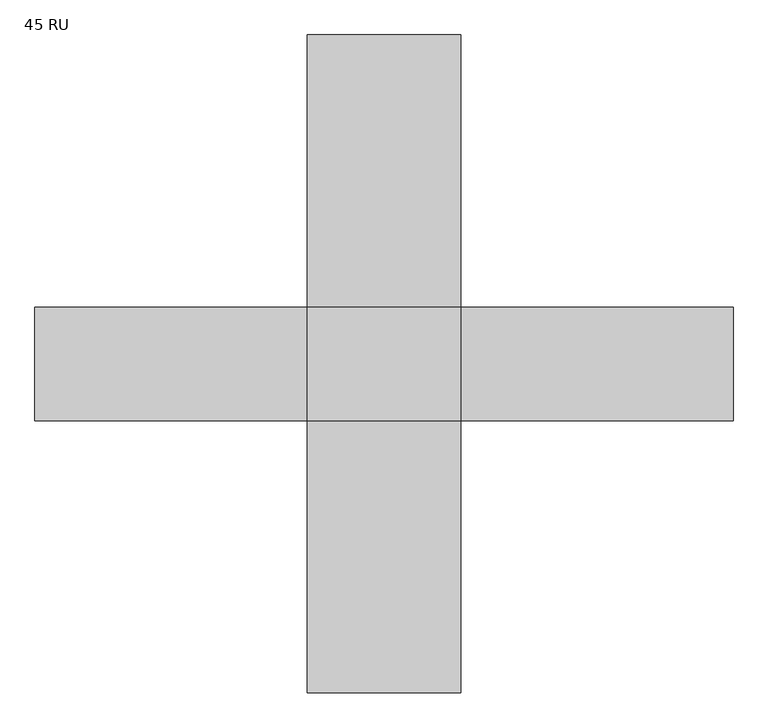
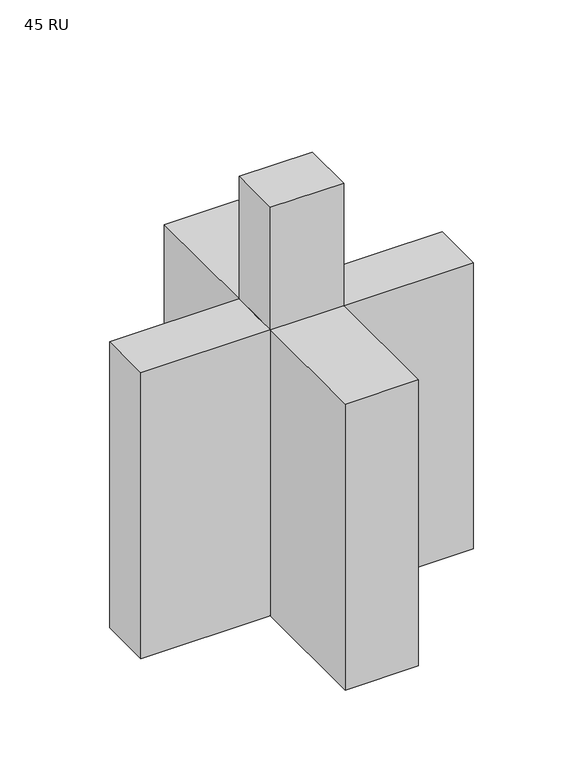
"""IFC4 building model written with IfcOpenShell, lengths in millimetres: electric appliance geometry, 45 RU."""

import ifcopenshell
import ifcopenshell.guid

model = None  # the IFC model being written
_history = None  # IfcOwnerHistory: only IFC2X3 demands one
_inside = {}  # id of a spatial element -> (the spatial element, [elements in it])
_under = {}  # id of a project, library or spatial element -> (it, [spatial elements below it])
_declared = {}  # id of a project -> (the project, [libraries it declares])
_typed = {}  # id of a type object -> (the type object, [elements of that type])
_made_of = {}  # id of a material, layer set ... -> (it, [elements and type objects made of it])


def new_model(schema):
    """Start an empty IFC model of exactly this schema.

    Asked for "IFC4X3", IfcOpenShell would pick the latest addendum, in which some entities
    have other attributes; the version numbers below select the first issue.
    IFC2X3 requires an IfcOwnerHistory on every rooted entity: one is made here for all.
    """
    global model, _history
    if schema == "IFC4X3":
        model = ifcopenshell.file(schema_version=(4, 3, 0, 0))
    else:
        model = ifcopenshell.file(schema=schema)
    _inside.clear()
    _under.clear()
    _declared.clear()
    _typed.clear()
    _made_of.clear()
    _history = None
    if model.schema == "IFC2X3":
        org = make("IfcOrganization", Name="unknown")
        user = make(
            "IfcPersonAndOrganization",
            ThePerson=make("IfcPerson", FamilyName="unknown"),
            TheOrganization=org,
        )
        app = make(
            "IfcApplication",
            ApplicationDeveloper=org,
            Version="unknown",
            ApplicationFullName="unknown",
            ApplicationIdentifier="unknown",
        )
        _history = make(
            "IfcOwnerHistory",
            OwningUser=user,
            OwningApplication=app,
            ChangeAction="ADDED",
            CreationDate=0,
        )
    return model


def make(cls, **values):
    """One entity of the class cls with the attributes given. An attribute that is None is left unset."""
    return model.create_entity(
        cls, **{name: value for name, value in values.items() if value is not None}
    )


def rooted(cls, **values):
    """An entity with a GlobalId (a new one), such as an element, a storey or a relation."""
    return make(cls, GlobalId=ifcopenshell.guid.new(), OwnerHistory=_history, **values)


def si_unit(unit_type, name, prefix=None):
    """IfcSIUnit, for example si_unit("LENGTHUNIT", "METRE", prefix="MILLI")."""
    return make("IfcSIUnit", UnitType=unit_type, Prefix=prefix, Name=name)


def assignment(units):
    """IfcUnitAssignment: the units of a project."""
    return None if units is None else make("IfcUnitAssignment", Units=units)


def point(xyz):
    """IfcCartesianPoint."""
    return None if xyz is None else make("IfcCartesianPoint", Coordinates=xyz)


def direction(xyz):
    """IfcDirection."""
    return None if xyz is None else make("IfcDirection", DirectionRatios=xyz)


def frame(location, z_axis=None, x_axis=None):
    """IfcAxis2Placement3D, a coordinate frame: its origin and axes. An axis left out is left unset."""
    return make(
        "IfcAxis2Placement3D",
        Location=point(location),
        Axis=direction(z_axis),
        RefDirection=direction(x_axis),
    )


def origin():
    """The frame at (0, 0, 0) with its axes left unset."""
    return frame((0.0, 0.0, 0.0))


def origin_with_axes():
    """The frame at (0, 0, 0) with the z axis (0, 0, 1) and the x axis (1, 0, 0) written out."""
    return frame((0.0, 0.0, 0.0), z_axis=(0.0, 0.0, 1.0), x_axis=(1.0, 0.0, 0.0))


def place(relative_to, where):
    """IfcLocalPlacement: puts the frame where relative to a parent placement (None: the world)."""
    return make(
        "IfcLocalPlacement", PlacementRelTo=relative_to, RelativePlacement=where
    )


def context(
    kind, dimensions, precision=None, world=None, true_north=None, identifier=None
):
    """IfcGeometricRepresentationContext, for example the 3D "Model" context."""
    return make(
        "IfcGeometricRepresentationContext",
        ContextIdentifier=identifier,
        ContextType=kind,
        CoordinateSpaceDimension=dimensions,
        Precision=precision,
        WorldCoordinateSystem=world,
        TrueNorth=true_north,
    )


def project(units=None, contexts=None):
    """IfcProject with its units and contexts."""
    return rooted(
        "IfcProject",
        Name="project",
        RepresentationContexts=contexts,
        UnitsInContext=assignment(units),
    )


def spatial(cls, under=None, at=None, **own):
    """A site, building, storey or space (cls), placed at a placement, below another one or the project."""
    s = rooted(cls, ObjectPlacement=at, **own)
    if under is not None:
        _under.setdefault(under.id(), (under, []))[1].append(s)
    return s


def polyline(points):
    """IfcPolyline through the points."""
    return make("IfcPolyline", Points=[point(p) for p in points])


def outline(outer, holes=None, kind="AREA"):
    """IfcArbitraryClosedProfileDef: a profile drawn as a closed curve; with holes, ...WithVoids."""
    if holes is None:
        return make("IfcArbitraryClosedProfileDef", ProfileType=kind, OuterCurve=outer)
    return make(
        "IfcArbitraryProfileDefWithVoids",
        ProfileType=kind,
        OuterCurve=outer,
        InnerCurves=holes,
    )


def extrude(swept, where, along, depth):
    """IfcExtrudedAreaSolid: the profile swept, set in the frame where, extruded along a direction by depth."""
    return make(
        "IfcExtrudedAreaSolid",
        SweptArea=swept,
        Position=where,
        ExtrudedDirection=direction(along),
        Depth=depth,
    )


def shape(context_of_items, identifier, shape_type, items):
    """IfcShapeRepresentation: the items that make up one representation, for example the "Body"."""
    return make(
        "IfcShapeRepresentation",
        ContextOfItems=context_of_items,
        RepresentationIdentifier=identifier,
        RepresentationType=shape_type,
        Items=items,
    )


def source(mapping_origin, context_of_items, identifier, shape_type, items):
    """IfcRepresentationMap: a shape defined once, which mapped items show again and again."""
    return make(
        "IfcRepresentationMap",
        MappingOrigin=mapping_origin,
        MappedRepresentation=shape(context_of_items, identifier, shape_type, items),
    )


def transform(
    local_origin,
    x_axis=None,
    y_axis=None,
    z_axis=None,
    scale=None,
    scale2=None,
    scale3=None,
    uniform=True,
):
    """IfcCartesianTransformationOperator3D, or its non-uniform kind. x_axis, y_axis, z_axis: its Axis1, 2, 3."""
    if uniform:
        return make(
            "IfcCartesianTransformationOperator3D",
            Axis1=direction(x_axis),
            Axis2=direction(y_axis),
            LocalOrigin=point(local_origin),
            Scale=scale,
            Axis3=direction(z_axis),
        )
    return make(
        "IfcCartesianTransformationOperator3DnonUniform",
        Axis1=direction(x_axis),
        Axis2=direction(y_axis),
        LocalOrigin=point(local_origin),
        Scale=scale,
        Axis3=direction(z_axis),
        Scale2=scale2,
        Scale3=scale3,
    )


def mapped(mapping_source, mapping_target):
    """IfcMappedItem: shows the shape of a source again, moved by a transform."""
    return make(
        "IfcMappedItem", MappingSource=mapping_source, MappingTarget=mapping_target
    )


def made_of(thing, what):
    """Note that an element or type object is made of a material, layer set ...; save() writes the relation."""
    if what is not None:
        _made_of.setdefault(what.id(), (what, []))[1].append(thing)
    return thing


def element(
    cls,
    number,
    at=None,
    inside=None,
    cuts=None,
    type_object=None,
    material=None,
    context=None,
    identifier="Body",
    shape_type=None,
    held_by="IfcProductDefinitionShape",
    body=None,
    shapes=None,
    **own,
):
    """One element of the class cls, such as IfcWall. Its Tag is "e" and its number.

    at: its placement. inside: the storey or other place that contains it. cuts: it is an
    opening in that element (IfcRelVoidsElement). A single representation is given by context,
    identifier, shape_type and body (its items); several are given by shapes. held_by: the class
    of the entity that holds the representations. save() writes the other relations.
    """
    e = rooted(cls, Tag="e%d" % number, ObjectPlacement=at, **own)
    if body is not None:
        shapes = [shape(context, identifier, shape_type, body)]
    if shapes is not None:
        e.Representation = make(held_by, Representations=shapes)
    if inside is not None:
        _inside.setdefault(inside.id(), (inside, []))[1].append(e)
    if cuts is not None:
        rooted(
            "IfcRelVoidsElement", RelatingBuildingElement=cuts, RelatedOpeningElement=e
        )
    if type_object is not None:
        _typed.setdefault(type_object.id(), (type_object, []))[1].append(e)
    return made_of(e, material)


def aggregate(whole, parts):
    """IfcRelAggregates: a whole, such as a stair, and the parts it consists of."""
    return rooted("IfcRelAggregates", RelatingObject=whole, RelatedObjects=parts)


def save(model, path):
    """Write the relations noted so far, then the file.

    IfcRelAggregates (storeys below a building ...), IfcRelContainedInSpatialStructure (elements
    in a storey), IfcRelDefinesByType, IfcRelAssociatesMaterial and IfcRelDeclares: one each for
    every whole, place, type object, material and project.
    """
    for whole, parts in _under.values():
        aggregate(whole, parts)
    for where, things in _inside.values():
        rooted(
            "IfcRelContainedInSpatialStructure",
            RelatedElements=things,
            RelatingStructure=where,
        )
    for kind, things in _typed.values():
        rooted("IfcRelDefinesByType", RelatedObjects=things, RelatingType=kind)
    for what, things in _made_of.values():
        rooted("IfcRelAssociatesMaterial", RelatedObjects=things, RelatingMaterial=what)
    for by, libraries in _declared.values():
        rooted("IfcRelDeclares", RelatingContext=by, RelatedDefinitions=libraries)
    model.write(path)


def electric_appliance_45_ru_18aa0113(model_context):
    return source(origin(), model_context, "Body", "SweptSolid", [
        extrude(outline(polyline([(225.7425, 38.1), (225.7425, 31.75), (-225.7425, 31.75), (-225.7425, 38.1), (225.7425, 38.1)])), origin_with_axes(), (0.0, 0.0, 1.0), 2133.6),
        extrude(outline(polyline([(225.7425, -31.75), (225.7425, -38.1), (-225.7425, -38.1), (-225.7425, -31.75), (225.7425, -31.75)])), origin_with_axes(), (0.0, 0.0, 1.0), 2133.6),
        extrude(outline(polyline([(-38.1, 88.9), (-38.1, 0.0), (-190.5, 0.0), (-190.5, 6.35), (-44.45, 6.35), (-44.45, 88.9), (-38.1, 88.9)])), frame((-258.1275, 0.0, 0.0), z_axis=(1.0, 0.0, 0.0), x_axis=(0.0, 1.0, 0.0)), (0.0, 0.0, 1.0), 516.255),
        extrude(outline(polyline([(44.45, 88.9), (44.45, 6.35), (190.5, 6.35), (190.5, 0.0), (38.1, 0.0), (38.1, 88.9), (44.45, 88.9)])), frame((-258.1275, 0.0, 0.0), z_axis=(1.0, 0.0, 0.0), x_axis=(0.0, 1.0, 0.0)), (0.0, 0.0, 1.0), 516.255),
        extrude(outline(polyline([(-38.1, 2133.6), (-38.1, 2095.5), (-44.45, 2095.5), (-44.45, 2127.25), (-76.2, 2127.25), (-76.2, 2133.6), (-38.1, 2133.6)])), frame((-258.1275, 0.0, 0.0), z_axis=(1.0, 0.0, 0.0), x_axis=(0.0, 1.0, 0.0)), (0.0, 0.0, 1.0), 516.255),
        extrude(outline(polyline([(76.2, 2133.6), (76.2, 2127.25), (44.45, 2127.25), (44.45, 2095.5), (38.1, 2095.5), (38.1, 2133.6), (76.2, 2133.6)])), frame((-258.1275, 0.0, 0.0), z_axis=(1.0, 0.0, 0.0), x_axis=(0.0, 1.0, 0.0)), (0.0, 0.0, 1.0), 516.255),
        extrude(outline(polyline([(-225.7425, 38.1), (-225.7425, 31.75), (-251.7775, 31.75), (-251.7775, -31.75), (-225.7425, -31.75), (-225.7425, -38.1), (-258.1275, -38.1), (-258.1275, 38.1), (-225.7425, 38.1)])), origin_with_axes(), (0.0, 0.0, 1.0), 2133.6),
        extrude(outline(polyline([(225.7425, -38.1), (225.7425, -31.75), (251.7775, -31.75), (251.7775, 31.75), (225.7425, 31.75), (225.7425, 38.1), (258.1275, 38.1), (258.1275, -38.1), (225.7425, -38.1)])), origin_with_axes(), (0.0, 0.0, 1.0), 2133.6),
        extrude(outline(polyline([(258.1275, 190.5), (258.1275, -190.5), (-258.1275, -190.5), (-258.1275, 190.5), (258.1275, 190.5)])), frame((0.0, 0.0, 2133.6), z_axis=(0.0, 0.0, 1.0), x_axis=(1.0, 0.0, 0.0)), (0.0, 0.0, 1.0), 914.4),
        extrude(outline(polyline([(-258.1275, -190.5), (-1172.5275, -190.5), (-1172.5275, 190.5), (-258.1275, 190.5), (-258.1275, -190.5)])), origin_with_axes(), (0.0, 0.0, 1.0), 2133.6),
        extrude(outline(polyline([(258.1275, -1104.9), (-258.1275, -1104.9), (-258.1275, -190.5), (258.1275, -190.5), (258.1275, -1104.9)])), origin_with_axes(), (0.0, 0.0, 1.0), 2133.6),
        extrude(outline(polyline([(1172.5275, -190.5), (258.1275, -190.5), (258.1275, 190.5), (1172.5275, 190.5), (1172.5275, -190.5)])), origin_with_axes(), (0.0, 0.0, 1.0), 2133.6),
        extrude(outline(polyline([(258.1275, 190.5), (-258.1275, 190.5), (-258.1275, 1104.9), (258.1275, 1104.9), (258.1275, 190.5)])), origin_with_axes(), (0.0, 0.0, 1.0), 2133.6),
    ])


if __name__ == "__main__":
    model = new_model("IFC4")
    model_context = context("Model", 3, world=origin())
    ifc_project = project(units=[si_unit("LENGTHUNIT", "METRE", prefix="MILLI")], contexts=[model_context])
    site = spatial("IfcSite", under=ifc_project)
    building = spatial("IfcBuilding", under=site)
    placement = place(None, origin())
    electric_appliance_45_ru_shape = electric_appliance_45_ru_18aa0113(model_context)
    element("IfcElectricAppliance", 1, ObjectType="45 RU", at=placement, inside=building, context=model_context, shape_type="MappedRepresentation", body=[
        mapped(electric_appliance_45_ru_shape, transform((0.0, 0.0, 0.0), x_axis=(1.0, 0.0, 0.0), y_axis=(0.0, 1.0, 0.0), z_axis=(0.0, 0.0, 1.0))),
    ])
    save(model, "model.ifc")
